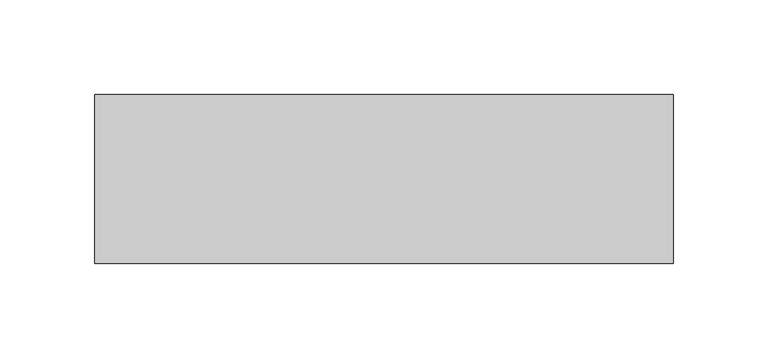
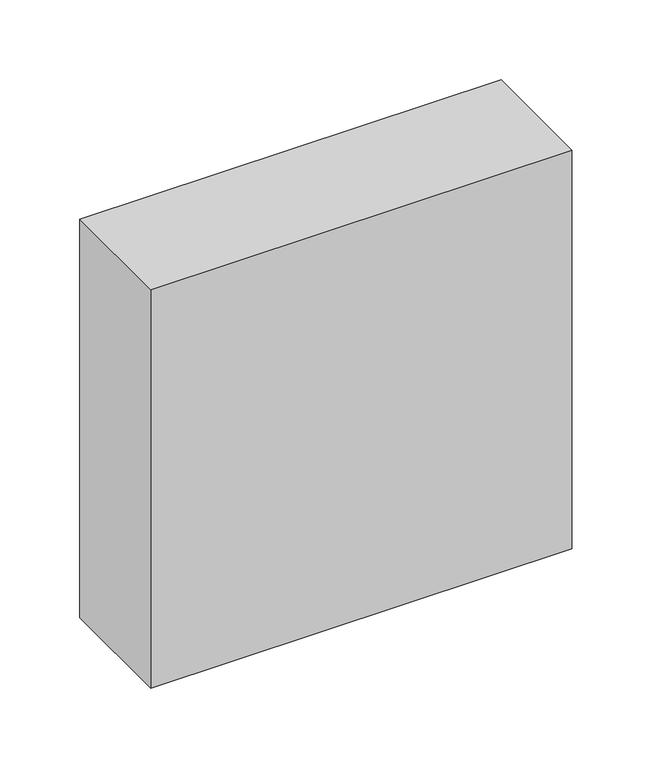
"""IFC4 building model written with IfcOpenShell, lengths in millimetres: proxy geometry."""

from ifc_helpers import new_model, si_unit, frame, origin, place, context, project, spatial, polyline, outline, extrude, source, transform, mapped, element, save


def generic_models_55890979(model_context):
    return source(origin(), model_context, "Body", "SweptSolid", [
        extrude(outline(polyline([(152.4, 165.1), (152.4, 76.2), (-152.4, 76.2), (-152.4, 165.1), (152.4, 165.1)])), frame((0.0, 0.0, 863.6), z_axis=(0.0, 0.0, 1.0), x_axis=(1.0, 0.0, 0.0)), (0.0, 0.0, 1.0), 304.8),
    ])


if __name__ == "__main__":
    model = new_model("IFC4")
    model_context = context("Model", 3, world=origin())
    ifc_project = project(units=[si_unit("LENGTHUNIT", "METRE", prefix="MILLI")], contexts=[model_context])
    site = spatial("IfcSite", under=ifc_project)
    building = spatial("IfcBuilding", under=site)
    placement = place(None, origin())
    generic_models_shape = generic_models_55890979(model_context)
    element("IfcBuildingElementProxy", 1, Name="Generic Models", at=placement, inside=building, context=model_context, shape_type="MappedRepresentation", body=[
        mapped(generic_models_shape, transform((0.0, 0.0, 0.0), x_axis=(1.0, 0.0, 0.0), y_axis=(0.0, 1.0, 0.0), z_axis=(0.0, 0.0, 1.0))),
    ])
    save(model, "model.ifc")
